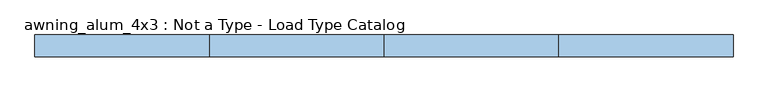
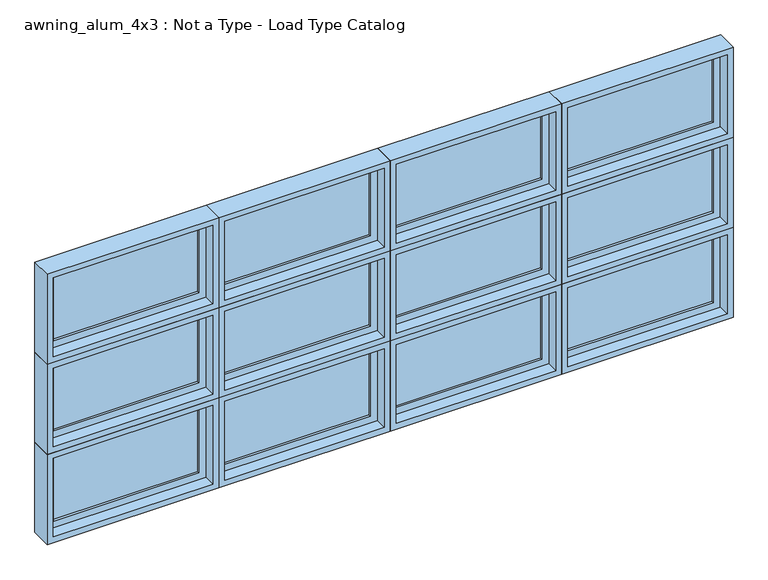
"""IFC4 building model written with IfcOpenShell, lengths in millimetres: window geometry, awning_alum_4x3 : Not a Type - Load Type Catalog."""

from ifc_helpers import new_model, si_unit, frame, origin, place, context, project, spatial, polyline, outline, extrude, faceted_brep, source, transform, mapped, element, save


def awning_alum_4x3_not_a_type_load_type_catalog_1d1de5df(model_context):
    return source(origin(), model_context, "Body", "SolidModel", [
        faceted_brep([(140.1218234, 42.8625, 1943.1), (140.1218234, 93.6625, 1943.1), (-748.8781766, 93.6625, 1943.1), (-748.8781766, 42.8625, 1943.1), (121.0718234, -20.6375, 1962.15), (121.0718234, 42.8625, 1962.15), (-729.8281766, 42.8625, 1962.15), (-729.8281766, -20.6375, 1962.15), (152.8218234, 93.6625, 1930.4), (152.8218234, -20.6375, 1930.4), (-761.5781766, -20.6375, 1930.4), (-761.5781766, 93.6625, 1930.4), (-748.8781766, 93.6625, 2425.7), (-748.8781766, 42.8625, 2425.7), (-729.8281766, 42.8625, 2406.65), (-729.8281766, -20.6375, 2406.65), (-761.5781766, -20.6375, 2438.4), (-761.5781766, 93.6625, 2438.4), (140.1218234, 93.6625, 2425.7), (140.1218234, 42.8625, 2425.7), (121.0718234, 42.8625, 2406.65), (121.0718234, -20.6375, 2406.65), (152.8218234, -20.6375, 2438.4), (152.8218234, 93.6625, 2438.4)], [[[0, 1, 2, 3]], [[4, 5, 6, 7]], [[8, 9, 10, 11]], [[3, 2, 12, 13]], [[7, 6, 14, 15]], [[11, 10, 16, 17]], [[13, 12, 18, 19]], [[15, 14, 20, 21]], [[17, 16, 22, 23]], [[11, 17, 23, 8], [1, 18, 12, 2]], [[19, 18, 1, 0]], [[3, 13, 19, 0], [5, 20, 14, 6]], [[21, 20, 5, 4]], [[9, 22, 16, 10], [7, 15, 21, 4]], [[23, 22, 9, 8]]]),
        extrude(outline(polyline([(82.9718234, 74.6125), (82.9718234, 68.2625), (-691.7281766, 68.2625), (-691.7281766, 74.6125), (82.9718234, 74.6125)])), frame((0.0, 0.0, 2000.25), z_axis=(0.0, 0.0, 1.0), x_axis=(1.0, 0.0, 0.0)), (0.0, 0.0, 1.0), 368.3),
        extrude(outline(polyline([(82.9718234, 61.9125), (82.9718234, 55.5625), (-691.7281766, 55.5625), (-691.7281766, 61.9125), (82.9718234, 61.9125)])), frame((0.0, 0.0, 2000.25), z_axis=(0.0, 0.0, 1.0), x_axis=(1.0, 0.0, 0.0)), (0.0, 0.0, 1.0), 368.3),
        extrude(outline(polyline([(1943.1, -748.8781766), (1943.1, 140.1218234), (2425.7, 140.1218234), (2425.7, -748.8781766), (1943.1, -748.8781766)]), holes=[polyline([(2368.55, -691.7281766), (2368.55, 82.9718234), (2000.25, 82.9718234), (2000.25, -691.7281766), (2368.55, -691.7281766)])]), frame((0.0, 42.8625, 0.0), z_axis=(0.0, 1.0, 0.0), x_axis=(0.0, 0.0, 1.0)), (0.0, 0.0, 1.0), 44.45),
        faceted_brep([(140.1218234, 42.8625, 1435.1), (140.1218234, 93.6625, 1435.1), (-748.8781766, 93.6625, 1435.1), (-748.8781766, 42.8625, 1435.1), (121.0718234, -20.6375, 1454.15), (121.0718234, 42.8625, 1454.15), (-729.8281766, 42.8625, 1454.15), (-729.8281766, -20.6375, 1454.15), (152.8218234, 93.6625, 1422.4), (152.8218234, -20.6375, 1422.4), (-761.5781766, -20.6375, 1422.4), (-761.5781766, 93.6625, 1422.4), (-748.8781766, 93.6625, 1917.7), (-748.8781766, 42.8625, 1917.7), (-729.8281766, 42.8625, 1898.65), (-729.8281766, -20.6375, 1898.65), (-761.5781766, -20.6375, 1930.4), (-761.5781766, 93.6625, 1930.4), (140.1218234, 93.6625, 1917.7), (140.1218234, 42.8625, 1917.7), (121.0718234, 42.8625, 1898.65), (121.0718234, -20.6375, 1898.65), (152.8218234, -20.6375, 1930.4), (152.8218234, 93.6625, 1930.4)], [[[0, 1, 2, 3]], [[4, 5, 6, 7]], [[8, 9, 10, 11]], [[3, 2, 12, 13]], [[7, 6, 14, 15]], [[11, 10, 16, 17]], [[13, 12, 18, 19]], [[15, 14, 20, 21]], [[17, 16, 22, 23]], [[11, 17, 23, 8], [1, 18, 12, 2]], [[19, 18, 1, 0]], [[3, 13, 19, 0], [5, 20, 14, 6]], [[21, 20, 5, 4]], [[9, 22, 16, 10], [7, 15, 21, 4]], [[23, 22, 9, 8]]]),
        extrude(outline(polyline([(82.9718234, 74.6125), (82.9718234, 68.2625), (-691.7281766, 68.2625), (-691.7281766, 74.6125), (82.9718234, 74.6125)])), frame((0.0, 0.0, 1492.25), z_axis=(0.0, 0.0, 1.0), x_axis=(1.0, 0.0, 0.0)), (0.0, 0.0, 1.0), 368.3),
        extrude(outline(polyline([(82.9718234, 61.9125), (82.9718234, 55.5625), (-691.7281766, 55.5625), (-691.7281766, 61.9125), (82.9718234, 61.9125)])), frame((0.0, 0.0, 1492.25), z_axis=(0.0, 0.0, 1.0), x_axis=(1.0, 0.0, 0.0)), (0.0, 0.0, 1.0), 368.3),
        extrude(outline(polyline([(1435.1, -748.8781766), (1435.1, 140.1218234), (1917.7, 140.1218234), (1917.7, -748.8781766), (1435.1, -748.8781766)]), holes=[polyline([(1860.55, -691.7281766), (1860.55, 82.9718234), (1492.25, 82.9718234), (1492.25, -691.7281766), (1860.55, -691.7281766)])]), frame((0.0, 42.8625, 0.0), z_axis=(0.0, 1.0, 0.0), x_axis=(0.0, 0.0, 1.0)), (0.0, 0.0, 1.0), 44.45),
        faceted_brep([(140.1218234, 42.8625, 927.1), (140.1218234, 93.6625, 927.1), (-748.8781766, 93.6625, 927.1), (-748.8781766, 42.8625, 927.1), (121.0718234, -20.6375, 946.15), (121.0718234, 42.8625, 946.15), (-729.8281766, 42.8625, 946.15), (-729.8281766, -20.6375, 946.15), (152.8218234, 93.6625, 914.4), (152.8218234, -20.6375, 914.4), (-761.5781766, -20.6375, 914.4), (-761.5781766, 93.6625, 914.4), (-748.8781766, 93.6625, 1409.7), (-748.8781766, 42.8625, 1409.7), (-729.8281766, 42.8625, 1390.65), (-729.8281766, -20.6375, 1390.65), (-761.5781766, -20.6375, 1422.4), (-761.5781766, 93.6625, 1422.4), (140.1218234, 93.6625, 1409.7), (140.1218234, 42.8625, 1409.7), (121.0718234, 42.8625, 1390.65), (121.0718234, -20.6375, 1390.65), (152.8218234, -20.6375, 1422.4), (152.8218234, 93.6625, 1422.4)], [[[0, 1, 2, 3]], [[4, 5, 6, 7]], [[8, 9, 10, 11]], [[3, 2, 12, 13]], [[7, 6, 14, 15]], [[11, 10, 16, 17]], [[13, 12, 18, 19]], [[15, 14, 20, 21]], [[17, 16, 22, 23]], [[11, 17, 23, 8], [1, 18, 12, 2]], [[19, 18, 1, 0]], [[3, 13, 19, 0], [5, 20, 14, 6]], [[21, 20, 5, 4]], [[9, 22, 16, 10], [7, 15, 21, 4]], [[23, 22, 9, 8]]]),
        extrude(outline(polyline([(82.9718234, 74.6125), (82.9718234, 68.2625), (-691.7281766, 68.2625), (-691.7281766, 74.6125), (82.9718234, 74.6125)])), frame((0.0, 0.0, 984.25), z_axis=(0.0, 0.0, 1.0), x_axis=(1.0, 0.0, 0.0)), (0.0, 0.0, 1.0), 368.3),
        extrude(outline(polyline([(82.9718234, 61.9125), (82.9718234, 55.5625), (-691.7281766, 55.5625), (-691.7281766, 61.9125), (82.9718234, 61.9125)])), frame((0.0, 0.0, 984.25), z_axis=(0.0, 0.0, 1.0), x_axis=(1.0, 0.0, 0.0)), (0.0, 0.0, 1.0), 368.3),
        extrude(outline(polyline([(927.1, -748.8781766), (927.1, 140.1218234), (1409.7, 140.1218234), (1409.7, -748.8781766), (927.1, -748.8781766)]), holes=[polyline([(1352.55, -691.7281766), (1352.55, 82.9718234), (984.25, 82.9718234), (984.25, -691.7281766), (1352.55, -691.7281766)])]), frame((0.0, 42.8625, 0.0), z_axis=(0.0, 1.0, 0.0), x_axis=(0.0, 0.0, 1.0)), (0.0, 0.0, 1.0), 44.45),
        faceted_brep([(-774.2781766, 42.8625, 1943.1), (-774.2781766, 93.6625, 1943.1), (-1663.2781766, 93.6625, 1943.1), (-1663.2781766, 42.8625, 1943.1), (-793.3281766, -20.6375, 1962.15), (-793.3281766, 42.8625, 1962.15), (-1644.2281766, 42.8625, 1962.15), (-1644.2281766, -20.6375, 1962.15), (-761.5781766, 93.6625, 1930.4), (-761.5781766, -20.6375, 1930.4), (-1675.9781766, -20.6375, 1930.4), (-1675.9781766, 93.6625, 1930.4), (-1663.2781766, 93.6625, 2425.7), (-1663.2781766, 42.8625, 2425.7), (-1644.2281766, 42.8625, 2406.65), (-1644.2281766, -20.6375, 2406.65), (-1675.9781766, -20.6375, 2438.4), (-1675.9781766, 93.6625, 2438.4), (-774.2781766, 93.6625, 2425.7), (-774.2781766, 42.8625, 2425.7), (-793.3281766, 42.8625, 2406.65), (-793.3281766, -20.6375, 2406.65), (-761.5781766, -20.6375, 2438.4), (-761.5781766, 93.6625, 2438.4)], [[[0, 1, 2, 3]], [[4, 5, 6, 7]], [[8, 9, 10, 11]], [[3, 2, 12, 13]], [[7, 6, 14, 15]], [[11, 10, 16, 17]], [[13, 12, 18, 19]], [[15, 14, 20, 21]], [[17, 16, 22, 23]], [[11, 17, 23, 8], [1, 18, 12, 2]], [[19, 18, 1, 0]], [[3, 13, 19, 0], [5, 20, 14, 6]], [[21, 20, 5, 4]], [[9, 22, 16, 10], [7, 15, 21, 4]], [[23, 22, 9, 8]]]),
        extrude(outline(polyline([(-831.4281766, 74.6125), (-831.4281766, 68.2625), (-1606.1281766, 68.2625), (-1606.1281766, 74.6125), (-831.4281766, 74.6125)])), frame((0.0, 0.0, 2000.25), z_axis=(0.0, 0.0, 1.0), x_axis=(1.0, 0.0, 0.0)), (0.0, 0.0, 1.0), 368.3),
        extrude(outline(polyline([(-831.4281766, 61.9125), (-831.4281766, 55.5625), (-1606.1281766, 55.5625), (-1606.1281766, 61.9125), (-831.4281766, 61.9125)])), frame((0.0, 0.0, 2000.25), z_axis=(0.0, 0.0, 1.0), x_axis=(1.0, 0.0, 0.0)), (0.0, 0.0, 1.0), 368.3),
        extrude(outline(polyline([(1943.1, -1663.2781766), (1943.1, -774.2781766), (2425.7, -774.2781766), (2425.7, -1663.2781766), (1943.1, -1663.2781766)]), holes=[polyline([(2368.55, -1606.1281766), (2368.55, -831.4281766), (2000.25, -831.4281766), (2000.25, -1606.1281766), (2368.55, -1606.1281766)])]), frame((0.0, 42.8625, 0.0), z_axis=(0.0, 1.0, 0.0), x_axis=(0.0, 0.0, 1.0)), (0.0, 0.0, 1.0), 44.45),
        faceted_brep([(-774.2781766, 42.8625, 1435.1), (-774.2781766, 93.6625, 1435.1), (-1663.2781766, 93.6625, 1435.1), (-1663.2781766, 42.8625, 1435.1), (-793.3281766, -20.6375, 1454.15), (-793.3281766, 42.8625, 1454.15), (-1644.2281766, 42.8625, 1454.15), (-1644.2281766, -20.6375, 1454.15), (-761.5781766, 93.6625, 1422.4), (-761.5781766, -20.6375, 1422.4), (-1675.9781766, -20.6375, 1422.4), (-1675.9781766, 93.6625, 1422.4), (-1663.2781766, 93.6625, 1917.7), (-1663.2781766, 42.8625, 1917.7), (-1644.2281766, 42.8625, 1898.65), (-1644.2281766, -20.6375, 1898.65), (-1675.9781766, -20.6375, 1930.4), (-1675.9781766, 93.6625, 1930.4), (-774.2781766, 93.6625, 1917.7), (-774.2781766, 42.8625, 1917.7), (-793.3281766, 42.8625, 1898.65), (-793.3281766, -20.6375, 1898.65), (-761.5781766, -20.6375, 1930.4), (-761.5781766, 93.6625, 1930.4)], [[[0, 1, 2, 3]], [[4, 5, 6, 7]], [[8, 9, 10, 11]], [[3, 2, 12, 13]], [[7, 6, 14, 15]], [[11, 10, 16, 17]], [[13, 12, 18, 19]], [[15, 14, 20, 21]], [[17, 16, 22, 23]], [[11, 17, 23, 8], [1, 18, 12, 2]], [[19, 18, 1, 0]], [[3, 13, 19, 0], [5, 20, 14, 6]], [[21, 20, 5, 4]], [[9, 22, 16, 10], [7, 15, 21, 4]], [[23, 22, 9, 8]]]),
        extrude(outline(polyline([(-831.4281766, 74.6125), (-831.4281766, 68.2625), (-1606.1281766, 68.2625), (-1606.1281766, 74.6125), (-831.4281766, 74.6125)])), frame((0.0, 0.0, 1492.25), z_axis=(0.0, 0.0, 1.0), x_axis=(1.0, 0.0, 0.0)), (0.0, 0.0, 1.0), 368.3),
        extrude(outline(polyline([(-831.4281766, 61.9125), (-831.4281766, 55.5625), (-1606.1281766, 55.5625), (-1606.1281766, 61.9125), (-831.4281766, 61.9125)])), frame((0.0, 0.0, 1492.25), z_axis=(0.0, 0.0, 1.0), x_axis=(1.0, 0.0, 0.0)), (0.0, 0.0, 1.0), 368.3),
        extrude(outline(polyline([(1435.1, -1663.2781766), (1435.1, -774.2781766), (1917.7, -774.2781766), (1917.7, -1663.2781766), (1435.1, -1663.2781766)]), holes=[polyline([(1860.55, -1606.1281766), (1860.55, -831.4281766), (1492.25, -831.4281766), (1492.25, -1606.1281766), (1860.55, -1606.1281766)])]), frame((0.0, 42.8625, 0.0), z_axis=(0.0, 1.0, 0.0), x_axis=(0.0, 0.0, 1.0)), (0.0, 0.0, 1.0), 44.45),
        faceted_brep([(-774.2781766, 42.8625, 927.1), (-774.2781766, 93.6625, 927.1), (-1663.2781766, 93.6625, 927.1), (-1663.2781766, 42.8625, 927.1), (-793.3281766, -20.6375, 946.15), (-793.3281766, 42.8625, 946.15), (-1644.2281766, 42.8625, 946.15), (-1644.2281766, -20.6375, 946.15), (-761.5781766, 93.6625, 914.4), (-761.5781766, -20.6375, 914.4), (-1675.9781766, -20.6375, 914.4), (-1675.9781766, 93.6625, 914.4), (-1663.2781766, 93.6625, 1409.7), (-1663.2781766, 42.8625, 1409.7), (-1644.2281766, 42.8625, 1390.65), (-1644.2281766, -20.6375, 1390.65), (-1675.9781766, -20.6375, 1422.4), (-1675.9781766, 93.6625, 1422.4), (-774.2781766, 93.6625, 1409.7), (-774.2781766, 42.8625, 1409.7), (-793.3281766, 42.8625, 1390.65), (-793.3281766, -20.6375, 1390.65), (-761.5781766, -20.6375, 1422.4), (-761.5781766, 93.6625, 1422.4)], [[[0, 1, 2, 3]], [[4, 5, 6, 7]], [[8, 9, 10, 11]], [[3, 2, 12, 13]], [[7, 6, 14, 15]], [[11, 10, 16, 17]], [[13, 12, 18, 19]], [[15, 14, 20, 21]], [[17, 16, 22, 23]], [[11, 17, 23, 8], [1, 18, 12, 2]], [[19, 18, 1, 0]], [[3, 13, 19, 0], [5, 20, 14, 6]], [[21, 20, 5, 4]], [[9, 22, 16, 10], [7, 15, 21, 4]], [[23, 22, 9, 8]]]),
        extrude(outline(polyline([(-831.4281766, 74.6125), (-831.4281766, 68.2625), (-1606.1281766, 68.2625), (-1606.1281766, 74.6125), (-831.4281766, 74.6125)])), frame((0.0, 0.0, 984.25), z_axis=(0.0, 0.0, 1.0), x_axis=(1.0, 0.0, 0.0)), (0.0, 0.0, 1.0), 368.3),
        extrude(outline(polyline([(-831.4281766, 61.9125), (-831.4281766, 55.5625), (-1606.1281766, 55.5625), (-1606.1281766, 61.9125), (-831.4281766, 61.9125)])), frame((0.0, 0.0, 984.25), z_axis=(0.0, 0.0, 1.0), x_axis=(1.0, 0.0, 0.0)), (0.0, 0.0, 1.0), 368.3),
        extrude(outline(polyline([(927.1, -1663.2781766), (927.1, -774.2781766), (1409.7, -774.2781766), (1409.7, -1663.2781766), (927.1, -1663.2781766)]), holes=[polyline([(1352.55, -1606.1281766), (1352.55, -831.4281766), (984.25, -831.4281766), (984.25, -1606.1281766), (1352.55, -1606.1281766)])]), frame((0.0, 42.8625, 0.0), z_axis=(0.0, 1.0, 0.0), x_axis=(0.0, 0.0, 1.0)), (0.0, 0.0, 1.0), 44.45),
        faceted_brep([(-2603.0781766, 42.8625, 1943.1), (-2603.0781766, 93.6625, 1943.1), (-3492.0781766, 93.6625, 1943.1), (-3492.0781766, 42.8625, 1943.1), (-2622.1281766, -20.6375, 1962.15), (-2622.1281766, 42.8625, 1962.15), (-3473.0281766, 42.8625, 1962.15), (-3473.0281766, -20.6375, 1962.15), (-2590.3781766, 93.6625, 1930.4), (-2590.3781766, -20.6375, 1930.4), (-3504.7781766, -20.6375, 1930.4), (-3504.7781766, 93.6625, 1930.4), (-3492.0781766, 93.6625, 2425.7), (-3492.0781766, 42.8625, 2425.7), (-3473.0281766, 42.8625, 2406.65), (-3473.0281766, -20.6375, 2406.65), (-3504.7781766, -20.6375, 2438.4), (-3504.7781766, 93.6625, 2438.4), (-2603.0781766, 93.6625, 2425.7), (-2603.0781766, 42.8625, 2425.7), (-2622.1281766, 42.8625, 2406.65), (-2622.1281766, -20.6375, 2406.65), (-2590.3781766, -20.6375, 2438.4), (-2590.3781766, 93.6625, 2438.4)], [[[0, 1, 2, 3]], [[4, 5, 6, 7]], [[8, 9, 10, 11]], [[3, 2, 12, 13]], [[7, 6, 14, 15]], [[11, 10, 16, 17]], [[13, 12, 18, 19]], [[15, 14, 20, 21]], [[17, 16, 22, 23]], [[11, 17, 23, 8], [1, 18, 12, 2]], [[19, 18, 1, 0]], [[3, 13, 19, 0], [5, 20, 14, 6]], [[21, 20, 5, 4]], [[9, 22, 16, 10], [7, 15, 21, 4]], [[23, 22, 9, 8]]]),
        extrude(outline(polyline([(-2660.2281766, 74.6125), (-2660.2281766, 68.2625), (-3434.9281766, 68.2625), (-3434.9281766, 74.6125), (-2660.2281766, 74.6125)])), frame((0.0, 0.0, 2000.25), z_axis=(0.0, 0.0, 1.0), x_axis=(1.0, 0.0, 0.0)), (0.0, 0.0, 1.0), 368.3),
        extrude(outline(polyline([(-2660.2281766, 61.9125), (-2660.2281766, 55.5625), (-3434.9281766, 55.5625), (-3434.9281766, 61.9125), (-2660.2281766, 61.9125)])), frame((0.0, 0.0, 2000.25), z_axis=(0.0, 0.0, 1.0), x_axis=(1.0, 0.0, 0.0)), (0.0, 0.0, 1.0), 368.3),
        extrude(outline(polyline([(1943.1, -3492.0781766), (1943.1, -2603.0781766), (2425.7, -2603.0781766), (2425.7, -3492.0781766), (1943.1, -3492.0781766)]), holes=[polyline([(2368.55, -3434.9281766), (2368.55, -2660.2281766), (2000.25, -2660.2281766), (2000.25, -3434.9281766), (2368.55, -3434.9281766)])]), frame((0.0, 42.8625, 0.0), z_axis=(0.0, 1.0, 0.0), x_axis=(0.0, 0.0, 1.0)), (0.0, 0.0, 1.0), 44.45),
        faceted_brep([(-2603.0781766, 42.8625, 1435.1), (-2603.0781766, 93.6625, 1435.1), (-3492.0781766, 93.6625, 1435.1), (-3492.0781766, 42.8625, 1435.1), (-2622.1281766, -20.6375, 1454.15), (-2622.1281766, 42.8625, 1454.15), (-3473.0281766, 42.8625, 1454.15), (-3473.0281766, -20.6375, 1454.15), (-2590.3781766, 93.6625, 1422.4), (-2590.3781766, -20.6375, 1422.4), (-3504.7781766, -20.6375, 1422.4), (-3504.7781766, 93.6625, 1422.4), (-3492.0781766, 93.6625, 1917.7), (-3492.0781766, 42.8625, 1917.7), (-3473.0281766, 42.8625, 1898.65), (-3473.0281766, -20.6375, 1898.65), (-3504.7781766, -20.6375, 1930.4), (-3504.7781766, 93.6625, 1930.4), (-2603.0781766, 93.6625, 1917.7), (-2603.0781766, 42.8625, 1917.7), (-2622.1281766, 42.8625, 1898.65), (-2622.1281766, -20.6375, 1898.65), (-2590.3781766, -20.6375, 1930.4), (-2590.3781766, 93.6625, 1930.4)], [[[0, 1, 2, 3]], [[4, 5, 6, 7]], [[8, 9, 10, 11]], [[3, 2, 12, 13]], [[7, 6, 14, 15]], [[11, 10, 16, 17]], [[13, 12, 18, 19]], [[15, 14, 20, 21]], [[17, 16, 22, 23]], [[11, 17, 23, 8], [1, 18, 12, 2]], [[19, 18, 1, 0]], [[3, 13, 19, 0], [5, 20, 14, 6]], [[21, 20, 5, 4]], [[9, 22, 16, 10], [7, 15, 21, 4]], [[23, 22, 9, 8]]]),
        extrude(outline(polyline([(-2660.2281766, 74.6125), (-2660.2281766, 68.2625), (-3434.9281766, 68.2625), (-3434.9281766, 74.6125), (-2660.2281766, 74.6125)])), frame((0.0, 0.0, 1492.25), z_axis=(0.0, 0.0, 1.0), x_axis=(1.0, 0.0, 0.0)), (0.0, 0.0, 1.0), 368.3),
        extrude(outline(polyline([(-2660.2281766, 61.9125), (-2660.2281766, 55.5625), (-3434.9281766, 55.5625), (-3434.9281766, 61.9125), (-2660.2281766, 61.9125)])), frame((0.0, 0.0, 1492.25), z_axis=(0.0, 0.0, 1.0), x_axis=(1.0, 0.0, 0.0)), (0.0, 0.0, 1.0), 368.3),
        extrude(outline(polyline([(1435.1, -3492.0781766), (1435.1, -2603.0781766), (1917.7, -2603.0781766), (1917.7, -3492.0781766), (1435.1, -3492.0781766)]), holes=[polyline([(1860.55, -3434.9281766), (1860.55, -2660.2281766), (1492.25, -2660.2281766), (1492.25, -3434.9281766), (1860.55, -3434.9281766)])]), frame((0.0, 42.8625, 0.0), z_axis=(0.0, 1.0, 0.0), x_axis=(0.0, 0.0, 1.0)), (0.0, 0.0, 1.0), 44.45),
        faceted_brep([(-2603.0781766, 42.8625, 927.1), (-2603.0781766, 93.6625, 927.1), (-3492.0781766, 93.6625, 927.1), (-3492.0781766, 42.8625, 927.1), (-2622.1281766, -20.6375, 946.15), (-2622.1281766, 42.8625, 946.15), (-3473.0281766, 42.8625, 946.15), (-3473.0281766, -20.6375, 946.15), (-2590.3781766, 93.6625, 914.4), (-2590.3781766, -20.6375, 914.4), (-3504.7781766, -20.6375, 914.4), (-3504.7781766, 93.6625, 914.4), (-3492.0781766, 93.6625, 1409.7), (-3492.0781766, 42.8625, 1409.7), (-3473.0281766, 42.8625, 1390.65), (-3473.0281766, -20.6375, 1390.65), (-3504.7781766, -20.6375, 1422.4), (-3504.7781766, 93.6625, 1422.4), (-2603.0781766, 93.6625, 1409.7), (-2603.0781766, 42.8625, 1409.7), (-2622.1281766, 42.8625, 1390.65), (-2622.1281766, -20.6375, 1390.65), (-2590.3781766, -20.6375, 1422.4), (-2590.3781766, 93.6625, 1422.4)], [[[0, 1, 2, 3]], [[4, 5, 6, 7]], [[8, 9, 10, 11]], [[3, 2, 12, 13]], [[7, 6, 14, 15]], [[11, 10, 16, 17]], [[13, 12, 18, 19]], [[15, 14, 20, 21]], [[17, 16, 22, 23]], [[11, 17, 23, 8], [1, 18, 12, 2]], [[19, 18, 1, 0]], [[3, 13, 19, 0], [5, 20, 14, 6]], [[21, 20, 5, 4]], [[9, 22, 16, 10], [7, 15, 21, 4]], [[23, 22, 9, 8]]]),
        extrude(outline(polyline([(-2660.2281766, 74.6125), (-2660.2281766, 68.2625), (-3434.9281766, 68.2625), (-3434.9281766, 74.6125), (-2660.2281766, 74.6125)])), frame((0.0, 0.0, 984.25), z_axis=(0.0, 0.0, 1.0), x_axis=(1.0, 0.0, 0.0)), (0.0, 0.0, 1.0), 368.3),
        extrude(outline(polyline([(-2660.2281766, 61.9125), (-2660.2281766, 55.5625), (-3434.9281766, 55.5625), (-3434.9281766, 61.9125), (-2660.2281766, 61.9125)])), frame((0.0, 0.0, 984.25), z_axis=(0.0, 0.0, 1.0), x_axis=(1.0, 0.0, 0.0)), (0.0, 0.0, 1.0), 368.3),
        extrude(outline(polyline([(927.1, -3492.0781766), (927.1, -2603.0781766), (1409.7, -2603.0781766), (1409.7, -3492.0781766), (927.1, -3492.0781766)]), holes=[polyline([(1352.55, -3434.9281766), (1352.55, -2660.2281766), (984.25, -2660.2281766), (984.25, -3434.9281766), (1352.55, -3434.9281766)])]), frame((0.0, 42.8625, 0.0), z_axis=(0.0, 1.0, 0.0), x_axis=(0.0, 0.0, 1.0)), (0.0, 0.0, 1.0), 44.45),
        faceted_brep([(-2577.6781766, 42.8625, 1943.1), (-1688.6781766, 42.8625, 1943.1), (-1688.6781766, 93.6625, 1943.1), (-2577.6781766, 93.6625, 1943.1), (-2558.6281766, -20.6375, 1962.15), (-1707.7281766, -20.6375, 1962.15), (-1707.7281766, 42.8625, 1962.15), (-2558.6281766, 42.8625, 1962.15), (-2590.3781766, 93.6625, 1930.4), (-1675.9781766, 93.6625, 1930.4), (-1675.9781766, -20.6375, 1930.4), (-2590.3781766, -20.6375, 1930.4), (-1688.6781766, 42.8625, 2425.7), (-1688.6781766, 93.6625, 2425.7), (-1707.7281766, -20.6375, 2406.65), (-1707.7281766, 42.8625, 2406.65), (-1675.9781766, 93.6625, 2438.4), (-1675.9781766, -20.6375, 2438.4), (-2577.6781766, 42.8625, 2425.7), (-2577.6781766, 93.6625, 2425.7), (-2558.6281766, -20.6375, 2406.65), (-2558.6281766, 42.8625, 2406.65), (-2590.3781766, 93.6625, 2438.4), (-2590.3781766, -20.6375, 2438.4)], [[[0, 1, 2, 3]], [[4, 5, 6, 7]], [[8, 9, 10, 11]], [[1, 12, 13, 2]], [[5, 14, 15, 6]], [[9, 16, 17, 10]], [[12, 18, 19, 13]], [[14, 20, 21, 15]], [[16, 22, 23, 17]], [[9, 8, 22, 16], [3, 2, 13, 19]], [[18, 0, 3, 19]], [[1, 0, 18, 12], [7, 6, 15, 21]], [[20, 4, 7, 21]], [[11, 10, 17, 23], [5, 4, 20, 14]], [[22, 8, 11, 23]]]),
        extrude(outline(polyline([(-2520.5281766, 74.6125), (-1745.8281766, 74.6125), (-1745.8281766, 68.2625), (-2520.5281766, 68.2625), (-2520.5281766, 74.6125)])), frame((0.0, 0.0, 2000.25), z_axis=(0.0, 0.0, 1.0), x_axis=(1.0, 0.0, 0.0)), (0.0, 0.0, 1.0), 368.3),
        extrude(outline(polyline([(-2520.5281766, 61.9125), (-1745.8281766, 61.9125), (-1745.8281766, 55.5625), (-2520.5281766, 55.5625), (-2520.5281766, 61.9125)])), frame((0.0, 0.0, 2000.25), z_axis=(0.0, 0.0, 1.0), x_axis=(1.0, 0.0, 0.0)), (0.0, 0.0, 1.0), 368.3),
        extrude(outline(polyline([(1943.1, -1688.6781766), (2425.7, -1688.6781766), (2425.7, -2577.6781766), (1943.1, -2577.6781766), (1943.1, -1688.6781766)]), holes=[polyline([(2368.55, -1745.8281766), (2000.25, -1745.8281766), (2000.25, -2520.5281766), (2368.55, -2520.5281766), (2368.55, -1745.8281766)])]), frame((0.0, 42.8625, 0.0), z_axis=(0.0, 1.0, 0.0), x_axis=(0.0, 0.0, 1.0)), (0.0, 0.0, 1.0), 44.45),
        faceted_brep([(-2577.6781766, 42.8625, 1435.1), (-1688.6781766, 42.8625, 1435.1), (-1688.6781766, 93.6625, 1435.1), (-2577.6781766, 93.6625, 1435.1), (-2558.6281766, -20.6375, 1454.15), (-1707.7281766, -20.6375, 1454.15), (-1707.7281766, 42.8625, 1454.15), (-2558.6281766, 42.8625, 1454.15), (-2590.3781766, 93.6625, 1422.4), (-1675.9781766, 93.6625, 1422.4), (-1675.9781766, -20.6375, 1422.4), (-2590.3781766, -20.6375, 1422.4), (-1688.6781766, 42.8625, 1917.7), (-1688.6781766, 93.6625, 1917.7), (-1707.7281766, -20.6375, 1898.65), (-1707.7281766, 42.8625, 1898.65), (-1675.9781766, 93.6625, 1930.4), (-1675.9781766, -20.6375, 1930.4), (-2577.6781766, 42.8625, 1917.7), (-2577.6781766, 93.6625, 1917.7), (-2558.6281766, -20.6375, 1898.65), (-2558.6281766, 42.8625, 1898.65), (-2590.3781766, 93.6625, 1930.4), (-2590.3781766, -20.6375, 1930.4)], [[[0, 1, 2, 3]], [[4, 5, 6, 7]], [[8, 9, 10, 11]], [[1, 12, 13, 2]], [[5, 14, 15, 6]], [[9, 16, 17, 10]], [[12, 18, 19, 13]], [[14, 20, 21, 15]], [[16, 22, 23, 17]], [[9, 8, 22, 16], [3, 2, 13, 19]], [[18, 0, 3, 19]], [[1, 0, 18, 12], [7, 6, 15, 21]], [[20, 4, 7, 21]], [[11, 10, 17, 23], [5, 4, 20, 14]], [[22, 8, 11, 23]]]),
        extrude(outline(polyline([(-2520.5281766, 74.6125), (-1745.8281766, 74.6125), (-1745.8281766, 68.2625), (-2520.5281766, 68.2625), (-2520.5281766, 74.6125)])), frame((0.0, 0.0, 1492.25), z_axis=(0.0, 0.0, 1.0), x_axis=(1.0, 0.0, 0.0)), (0.0, 0.0, 1.0), 368.3),
        extrude(outline(polyline([(-2520.5281766, 61.9125), (-1745.8281766, 61.9125), (-1745.8281766, 55.5625), (-2520.5281766, 55.5625), (-2520.5281766, 61.9125)])), frame((0.0, 0.0, 1492.25), z_axis=(0.0, 0.0, 1.0), x_axis=(1.0, 0.0, 0.0)), (0.0, 0.0, 1.0), 368.3),
        extrude(outline(polyline([(1435.1, -1688.6781766), (1917.7, -1688.6781766), (1917.7, -2577.6781766), (1435.1, -2577.6781766), (1435.1, -1688.6781766)]), holes=[polyline([(1860.55, -1745.8281766), (1492.25, -1745.8281766), (1492.25, -2520.5281766), (1860.55, -2520.5281766), (1860.55, -1745.8281766)])]), frame((0.0, 42.8625, 0.0), z_axis=(0.0, 1.0, 0.0), x_axis=(0.0, 0.0, 1.0)), (0.0, 0.0, 1.0), 44.45),
        faceted_brep([(-2577.6781766, 42.8625, 927.1), (-1688.6781766, 42.8625, 927.1), (-1688.6781766, 93.6625, 927.1), (-2577.6781766, 93.6625, 927.1), (-2558.6281766, -20.6375, 946.15), (-1707.7281766, -20.6375, 946.15), (-1707.7281766, 42.8625, 946.15), (-2558.6281766, 42.8625, 946.15), (-2590.3781766, 93.6625, 914.4), (-1675.9781766, 93.6625, 914.4), (-1675.9781766, -20.6375, 914.4), (-2590.3781766, -20.6375, 914.4), (-1688.6781766, 42.8625, 1409.7), (-1688.6781766, 93.6625, 1409.7), (-1707.7281766, -20.6375, 1390.65), (-1707.7281766, 42.8625, 1390.65), (-1675.9781766, 93.6625, 1422.4), (-1675.9781766, -20.6375, 1422.4), (-2577.6781766, 42.8625, 1409.7), (-2577.6781766, 93.6625, 1409.7), (-2558.6281766, -20.6375, 1390.65), (-2558.6281766, 42.8625, 1390.65), (-2590.3781766, 93.6625, 1422.4), (-2590.3781766, -20.6375, 1422.4)], [[[0, 1, 2, 3]], [[4, 5, 6, 7]], [[8, 9, 10, 11]], [[1, 12, 13, 2]], [[5, 14, 15, 6]], [[9, 16, 17, 10]], [[12, 18, 19, 13]], [[14, 20, 21, 15]], [[16, 22, 23, 17]], [[9, 8, 22, 16], [3, 2, 13, 19]], [[18, 0, 3, 19]], [[1, 0, 18, 12], [7, 6, 15, 21]], [[20, 4, 7, 21]], [[11, 10, 17, 23], [5, 4, 20, 14]], [[22, 8, 11, 23]]]),
        extrude(outline(polyline([(-2520.5281766, 74.6125), (-1745.8281766, 74.6125), (-1745.8281766, 68.2625), (-2520.5281766, 68.2625), (-2520.5281766, 74.6125)])), frame((0.0, 0.0, 984.25), z_axis=(0.0, 0.0, 1.0), x_axis=(1.0, 0.0, 0.0)), (0.0, 0.0, 1.0), 368.3),
        extrude(outline(polyline([(-2520.5281766, 61.9125), (-1745.8281766, 61.9125), (-1745.8281766, 55.5625), (-2520.5281766, 55.5625), (-2520.5281766, 61.9125)])), frame((0.0, 0.0, 984.25), z_axis=(0.0, 0.0, 1.0), x_axis=(1.0, 0.0, 0.0)), (0.0, 0.0, 1.0), 368.3),
        extrude(outline(polyline([(927.1, -1688.6781766), (1409.7, -1688.6781766), (1409.7, -2577.6781766), (927.1, -2577.6781766), (927.1, -1688.6781766)]), holes=[polyline([(1352.55, -1745.8281766), (984.25, -1745.8281766), (984.25, -2520.5281766), (1352.55, -2520.5281766), (1352.55, -1745.8281766)])]), frame((0.0, 42.8625, 0.0), z_axis=(0.0, 1.0, 0.0), x_axis=(0.0, 0.0, 1.0)), (0.0, 0.0, 1.0), 44.45),
    ])


if __name__ == "__main__":
    model = new_model("IFC4")
    model_context = context("Model", 3, world=origin())
    ifc_project = project(units=[si_unit("LENGTHUNIT", "METRE", prefix="MILLI")], contexts=[model_context])
    site = spatial("IfcSite", under=ifc_project)
    building = spatial("IfcBuilding", under=site)
    placement = place(None, origin())
    awning_alum_4x3_not_a_type_load_type_catalog_shape = awning_alum_4x3_not_a_type_load_type_catalog_1d1de5df(model_context)
    element("IfcWindow", 1, ObjectType="awning_alum_4x3 : Not a Type - Load Type Catalog", at=placement, inside=building, context=model_context, shape_type="MappedRepresentation", body=[
        mapped(awning_alum_4x3_not_a_type_load_type_catalog_shape, transform((0.0, 0.0, 0.0), x_axis=(1.0, 0.0, 0.0), y_axis=(0.0, 1.0, 0.0), z_axis=(0.0, 0.0, 1.0))),
    ])
    save(model, "model.ifc")
